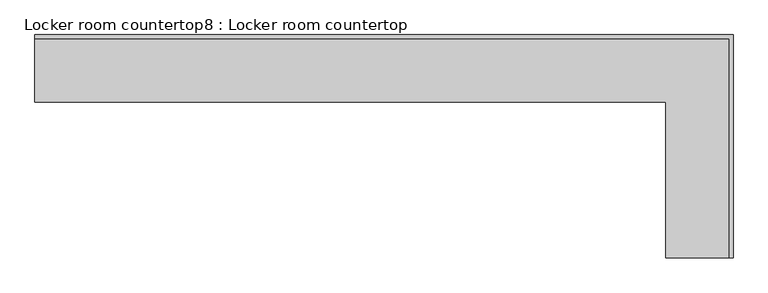
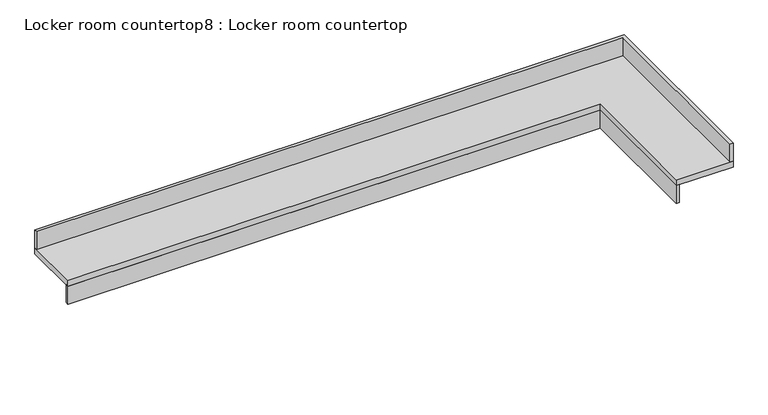
"""IFC4 building model written with IfcOpenShell, lengths in millimetres: furniture geometry, Locker room countertop8 : Locker room countertop."""

from ifc_helpers import new_model, si_unit, frame, origin, place, context, project, spatial, polyline, outline, extrude, source, transform, mapped, element, save


def locker_room_countertop8_locker_room_countertop_df8d2782(model_context):
    return source(origin(), model_context, "Body", "SweptSolid", [
        extrude(outline(polyline([(458783.7987259, -250300.3455223), (454516.5987259, -250300.3455223), (454516.5987259, -250274.9455223), (458809.1987259, -250274.9455223), (458809.1987259, -251356.0330223), (458783.7987259, -251356.0330223), (458783.7987259, -250300.3455223)])), frame((0.0, 0.0, 660.4), z_axis=(0.0, 0.0, 1.0), x_axis=(1.0, 0.0, 0.0)), (0.0, 0.0, 1.0), 152.4),
        extrude(outline(polyline([(454516.5987259, -249868.5455223), (454516.5987259, -249843.1455223), (459240.9987259, -249843.1455223), (459240.9987259, -251356.0330223), (459215.5987259, -251356.0330223), (459215.5987259, -249868.5455223), (454516.5987259, -249868.5455223)])), frame((0.0, 0.0, 863.6), z_axis=(0.0, 0.0, 1.0), x_axis=(1.0, 0.0, 0.0)), (0.0, 0.0, 1.0), 152.4),
        extrude(outline(polyline([(454516.5987259, -250300.3455223), (454516.5987259, -249843.1455223), (459240.9987259, -249843.1455223), (459240.9987259, -251356.0330223), (458783.7987259, -251356.0330223), (458783.7987259, -250300.3455223), (454516.5987259, -250300.3455223)])), frame((0.0, 0.0, 812.8), z_axis=(0.0, 0.0, 1.0), x_axis=(1.0, 0.0, 0.0)), (0.0, 0.0, 1.0), 50.8),
    ])


if __name__ == "__main__":
    model = new_model("IFC4")
    model_context = context("Model", 3, world=origin())
    ifc_project = project(units=[si_unit("LENGTHUNIT", "METRE", prefix="MILLI")], contexts=[model_context])
    site = spatial("IfcSite", under=ifc_project)
    building = spatial("IfcBuilding", under=site)
    placement = place(None, origin())
    locker_room_countertop8_locker_room_countertop_shape = locker_room_countertop8_locker_room_countertop_df8d2782(model_context)
    element("IfcFurniture", 1, ObjectType="Locker room countertop8 : Locker room countertop", at=placement, inside=building, context=model_context, shape_type="MappedRepresentation", body=[
        mapped(locker_room_countertop8_locker_room_countertop_shape, transform((0.0, 0.0, 0.0), x_axis=(1.0, 0.0, 0.0), y_axis=(0.0, 1.0, 0.0), z_axis=(0.0, 0.0, 1.0))),
    ])
    save(model, "model.ifc")
